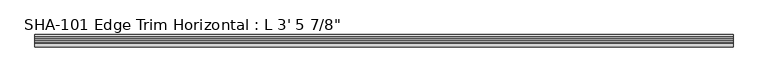
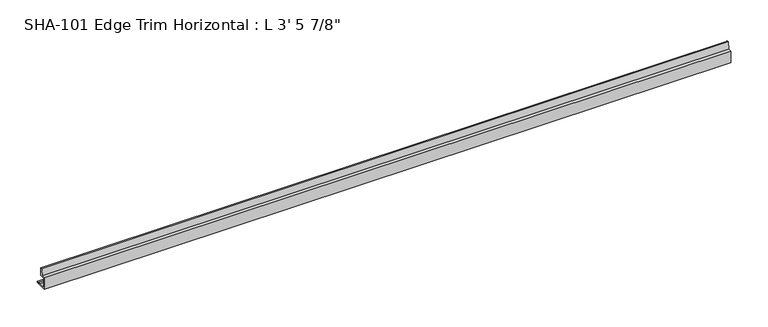
"""IFC4 building model written with IfcOpenShell, lengths in millimetres: proxy geometry."""

from ifc_helpers import new_model, si_unit, point, frame, frame_2d, origin, place, context, project, spatial, polyline, circle_curve, trimmed, segment, composite_curve, outline, extrude, source, transform, mapped, element, save


def proxy_f6664a04(model_context):
    return source(origin(), model_context, "Body", "SweptSolid", [
        extrude(outline(composite_curve([segment(polyline([(-19.7327081, 0.0), (-19.7327081, 19.0246), (-14.3400511, 19.0246), (-12.5290774, 29.6006869)]), True, "CONTINUOUS"), segment(trimmed(circle_curve(frame_2d((-11.4003846, 28.4438454)), 1.6162393), [point((-12.5290774, 29.6006869))], [point((-10.2077081, 29.5346031))], False, "CARTESIAN"), True, "CONTINUOUS"), segment(polyline([(-10.2077081, 29.5346031), (-10.2077081, 17.4498), (-16.8879081, 17.4498)]), True, "CONTINUOUS"), segment(trimmed(circle_curve(frame_2d((-16.8879081, 16.1798)), 1.27), [point((-16.8879081, 17.4498))], [point((-18.1579081, 16.1798))], True, "CARTESIAN"), True, "CONTINUOUS"), segment(polyline([(-18.1579081, 16.1798), (-18.1579081, 1.5748), (-7.0200081, 1.5748)]), True, "CONTINUOUS"), segment(trimmed(circle_curve(frame_2d((-5.4452081, 1.5748)), 1.5748), [point((-7.0200081, 1.5748))], [point((-3.8704081, 1.5748))], False, "CARTESIAN"), True, "CONTINUOUS"), segment(polyline([(-3.8704081, 1.5748), (-0.79375, 1.5748), (-0.79375, 0.0), (-19.7327081, 0.0)]), True, "CONTINUOUS")], self_intersect=False)), frame((0.0, 0.0, 0.0), z_axis=(1.0, 0.0, 0.0), x_axis=(0.0, 1.0, 0.0)), (0.0, 0.0, 1.0), 1063.625),
    ])


if __name__ == "__main__":
    model = new_model("IFC4")
    model_context = context("Model", 3, world=origin())
    ifc_project = project(units=[si_unit("LENGTHUNIT", "METRE", prefix="MILLI")], contexts=[model_context])
    site = spatial("IfcSite", under=ifc_project)
    building = spatial("IfcBuilding", under=site)
    placement = place(None, origin())
    proxy_shape = proxy_f6664a04(model_context)
    element("IfcBuildingElementProxy", 1, Name="SHA-101 Edge Trim Horizontal : L 3' 5 7/8\"", ObjectType="SHA-101 Edge Trim Horizontal : L 3' 5 7/8\"", at=placement, inside=building, context=model_context, shape_type="MappedRepresentation", body=[
        mapped(proxy_shape, transform((0.0, 0.0, 0.0), x_axis=(1.0, 0.0, 0.0), y_axis=(0.0, 1.0, 0.0), z_axis=(0.0, 0.0, 1.0))),
    ])
    save(model, "model.ifc")
